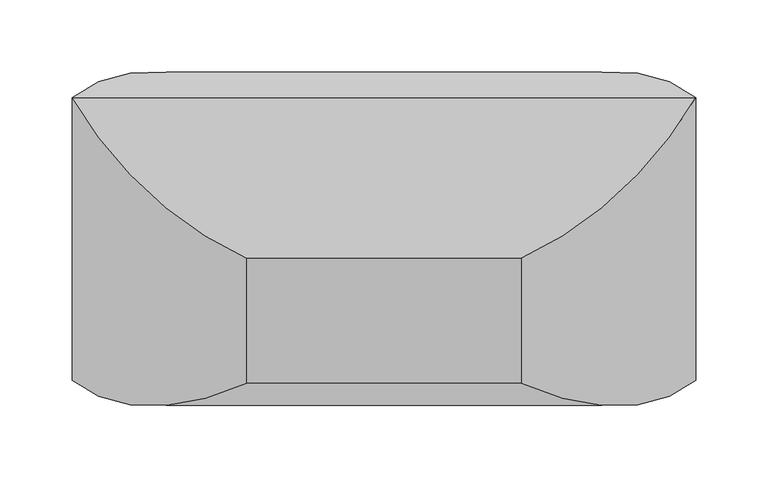
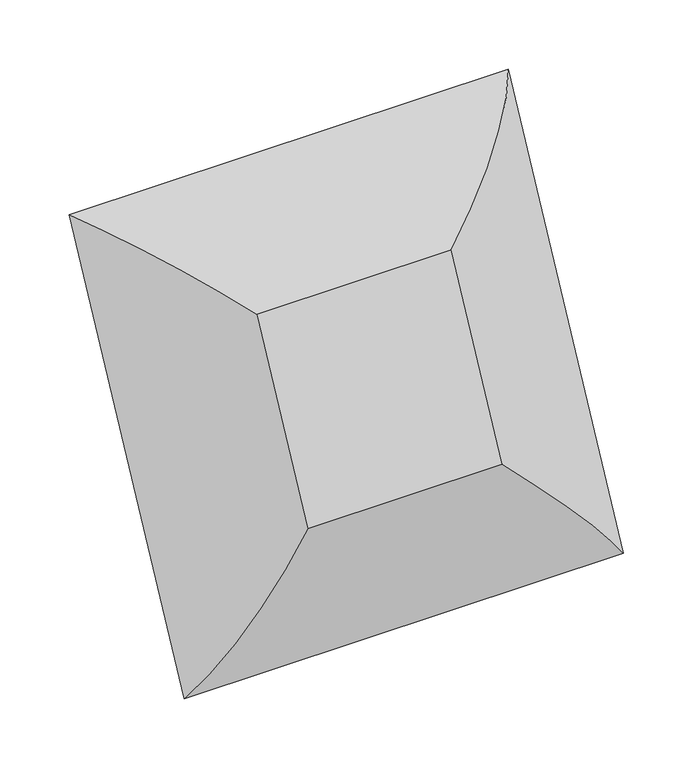
"""IFC4 building model written with IfcOpenShell, lengths in millimetres: furniture geometry."""

from ifc_helpers import new_model, si_unit, frame, origin, place, context, project, spatial, ellipse_curve, source, transform, mapped, element, save
from ifc_brep_helpers import plane_surface, cylinder_surface, advanced_brep


def furniture_d40edc24(model_context):
    return source(origin(), model_context, "Body", "AdvancedBrep", [
        advanced_brep(
        [(277.810321, -139.6787275, 0.0), (157.9058205, -28.6643091, 78.0072954), (157.9058205, 57.8208811, 247.7440383), (277.810321, 55.6774709, 383.4081272), (157.9058205, -55.3369475, 305.4008318), (157.9058205, -141.8221377, 135.6640889), (-32.5941795, 57.8208811, 247.7440383), (-152.4986799, 55.6774709, 383.4081272), (-32.5941795, -55.3369475, 305.4008318), (-32.5941795, -28.6643091, 78.0072954), (-152.4986799, -139.6787275, 0.0), (-32.5941795, -141.8221377, 135.6640889)],
        [
            (0, 1, ellipse_curve(frame((157.9058205, -157.8205403, 143.8156822), z_axis=(0.7071067811865478, 0.3210197609601038, 0.6300367553350499), x_axis=(0.7071067811865475, -0.32101976096010376, -0.6300367553350502)), 204.9979307, 144.955427)),
            (1, 2),
            (2, 3, ellipse_curve(frame((157.9058205, -71.3353501, 313.552425), z_axis=(0.7071067811865471, -0.32101976096010393, -0.6300367553350503), x_axis=(-0.7071067811865476, -0.3210197609601037, -0.6300367553350499)), 204.9979307, 144.955427)),
            (3, 0),
            (3, 4, ellipse_curve(frame((157.9058205, 73.8192836, 239.592445), z_axis=(0.7071067811865472, -0.321019760960104, -0.6300367553350503), x_axis=(-0.7071067811865478, -0.3210197609601037, -0.6300367553350499)), 204.9979307, 144.955427)),
            (4, 5),
            (5, 0, ellipse_curve(frame((157.9058205, -12.6659066, 69.8557022), z_axis=(0.7071067811865478, 0.3210197609601039, 0.6300367553350499), x_axis=(0.7071067811865474, -0.32101976096010376, -0.6300367553350501)), 204.9979307, 144.955427)),
            (2, 6),
            (6, 7, ellipse_curve(frame((-32.5941795, -71.3353501, 313.552425), z_axis=(0.7071067811865478, 0.3210197609601037, 0.6300367553350499), x_axis=(0.7071067811865471, -0.32101976096010393, -0.6300367553350503)), 204.9979307, 144.955427)),
            (7, 3),
            (7, 8, ellipse_curve(frame((-32.5941795, 73.8192836, 239.592445), z_axis=(0.7071067811865478, 0.3210197609601037, 0.6300367553350499), x_axis=(0.7071067811865472, -0.321019760960104, -0.6300367553350502)), 204.9979307, 144.955427)),
            (8, 4),
            (6, 9),
            (9, 10, ellipse_curve(frame((-32.5941795, -157.8205403, 143.8156822), z_axis=(-0.7071067811865472, 0.3210197609601039, 0.6300367553350504), x_axis=(0.7071067811865478, 0.3210197609601039, 0.6300367553350499)), 204.9979307, 144.955427)),
            (10, 7),
            (10, 11, ellipse_curve(frame((-32.5941795, -12.6659066, 69.8557022), z_axis=(-0.7071067811865472, 0.3210197609601038, 0.6300367553350504), x_axis=(0.7071067811865478, 0.3210197609601038, 0.6300367553350499)), 204.9979307, 144.955427)),
            (11, 8),
            (1, 9),
            (0, 10),
            (5, 11),
        ],
        [
            cylinder_surface(frame((157.9058205, -152.0548609, 155.131465), z_axis=(0.0, -0.45399049973954786, -0.8910065241883673), x_axis=(-1.0, 0.0, 0.0)), 144.955427),
            cylinder_surface(frame((157.9058205, -6.9002272, 81.171485), z_axis=(0.0, -0.4539904997395479, -0.8910065241883673), x_axis=(-1.0, 0.0, 0.0)), 144.955427),
            cylinder_surface(frame((145.2058205, -71.3353501, 313.552425), z_axis=(1.0, 0.0, 0.0), x_axis=(0.0, -0.45399049973954786, -0.8910065241883673)), 144.955427),
            cylinder_surface(frame((145.2058205, 73.8192836, 239.592445), z_axis=(1.0, 0.0, 0.0), x_axis=(0.0, -0.4539904997395478, -0.8910065241883675)), 144.955427),
            cylinder_surface(frame((-32.5941795, -77.1010294, 302.2366422), z_axis=(0.0, 0.4539904997395479, 0.8910065241883673), x_axis=(1.0, 0.0, 0.0)), 144.955427),
            cylinder_surface(frame((-32.5941795, 68.0536043, 228.2766622), z_axis=(0.0, 0.45399049973954786, 0.8910065241883673), x_axis=(1.0, 0.0, 0.0)), 144.955427),
            plane_surface(frame((-19.8941795, -22.8986298, 89.3230783), z_axis=(0.0, 0.8910065241883629, -0.45399049973955663), x_axis=(1.0, 0.0, 0.0))),
            cylinder_surface(frame((-19.8941795, -157.8205403, 143.8156822), z_axis=(-1.0000000000000002, 0.0, 0.0), x_axis=(0.0, 0.4539904997395479, 0.8910065241883673)), 144.955427),
            cylinder_surface(frame((-19.8941795, -12.6659066, 69.8557022), z_axis=(-0.9999999999999999, 0.0, 0.0), x_axis=(0.0, 0.453990499739548, 0.8910065241883672)), 144.955427),
            plane_surface(frame((-32.5941795, -141.8221377, 135.6640889), z_axis=(0.0, -0.8910065241883658, 0.4539904997395508), x_axis=(1.0, 0.0, 0.0))),
        ],
        [
            (0, [[1, 2, 3, 4]]),
            (1, [[-4, 5, 6, 7]]),
            (2, [[-3, 8, 9, 10]]),
            (3, [[-5, -10, 11, 12]]),
            (4, [[-9, 13, 14, 15]]),
            (5, [[-11, -15, 16, 17]]),
            (6, [[-2, 18, -13, -8]]),
            (7, [[-1, 19, -14, -18]]),
            (8, [[-7, 20, -16, -19]]),
            (9, [[-6, -12, -17, -20]]),
        ],
    ),
    ])


if __name__ == "__main__":
    model = new_model("IFC4")
    model_context = context("Model", 3, world=origin())
    ifc_project = project(units=[si_unit("LENGTHUNIT", "METRE", prefix="MILLI")], contexts=[model_context])
    site = spatial("IfcSite", under=ifc_project)
    building = spatial("IfcBuilding", under=site)
    placement = place(None, origin())
    furniture_shape = furniture_d40edc24(model_context)
    element("IfcFurniture", 1, at=placement, inside=building, context=model_context, shape_type="MappedRepresentation", body=[
        mapped(furniture_shape, transform((0.0, 0.0, 0.0), x_axis=(1.0, 0.0, 0.0), y_axis=(0.0, 1.0, 0.0), z_axis=(0.0, 0.0, 1.0))),
    ])
    save(model, "model.ifc")
